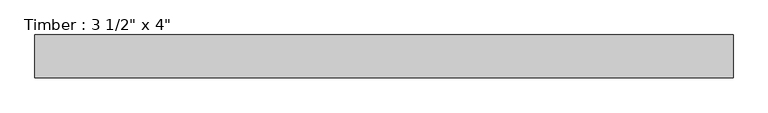
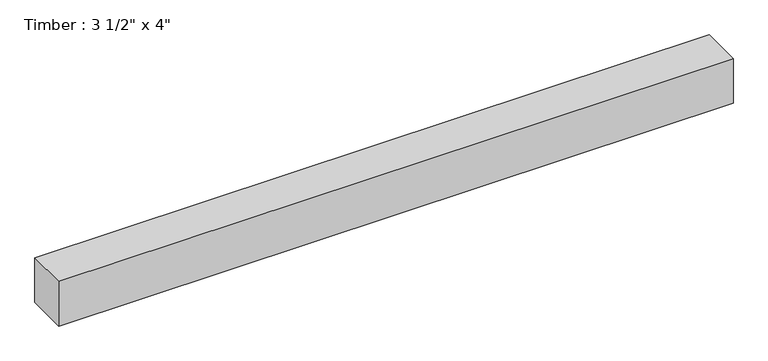
"""IFC4 building model written with IfcOpenShell, lengths in millimetres: beam geometry."""

from ifc_helpers import new_model, si_unit, frame, origin, place, context, project, spatial, polyline, outline, extrude, source, transform, mapped, element, save


def beam_3fdca048(model_context):
    return source(origin(), model_context, "Body", "SweptSolid", [
        extrude(outline(polyline([(725.3302328, -44.45), (-725.3302328, -44.45), (-725.3302328, 44.45), (725.3302328, 44.45), (725.3302328, -44.45)])), frame((0.0, 0.0, -50.8), z_axis=(0.0, 0.0, 1.0), x_axis=(1.0, 0.0, 0.0)), (0.0, 0.0, 1.0), 101.6),
    ])


if __name__ == "__main__":
    model = new_model("IFC4")
    model_context = context("Model", 3, world=origin())
    ifc_project = project(units=[si_unit("LENGTHUNIT", "METRE", prefix="MILLI")], contexts=[model_context])
    site = spatial("IfcSite", under=ifc_project)
    building = spatial("IfcBuilding", under=site)
    placement = place(None, origin())
    beam_shape = beam_3fdca048(model_context)
    element("IfcBeam", 1, ObjectType="Timber : 3 1/2\" x 4\"", at=placement, inside=building, context=model_context, shape_type="MappedRepresentation", body=[
        mapped(beam_shape, transform((0.0, 0.0, 0.0), x_axis=(1.0, 0.0, 0.0), y_axis=(0.0, 1.0, 0.0), z_axis=(0.0, 0.0, 1.0))),
    ])
    save(model, "model.ifc")
